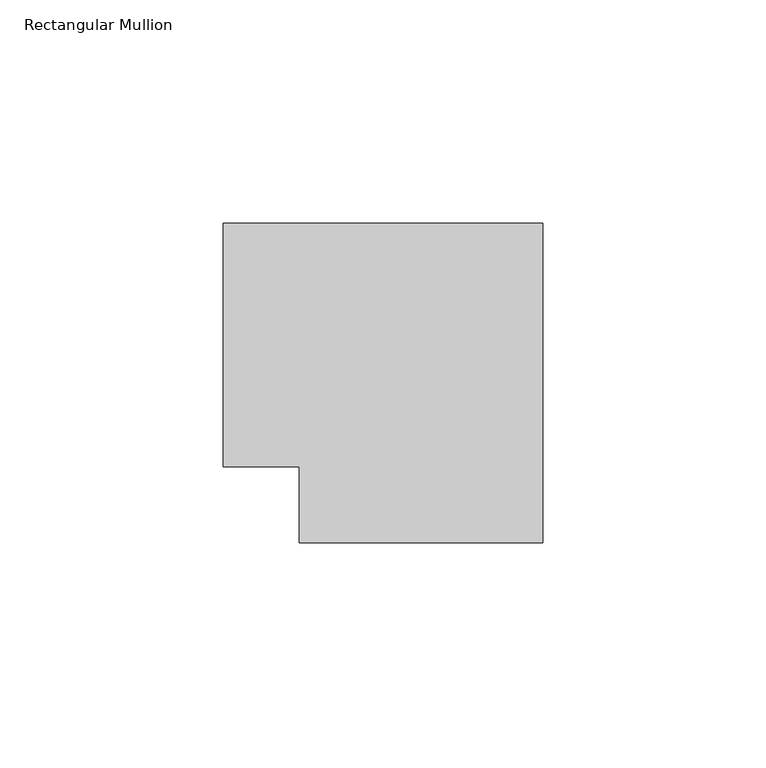
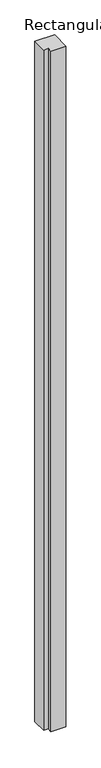
"""IFC4 building model written with IfcOpenShell, lengths in millimetres: member geometry, Rectangular Mullion."""

from ifc_helpers import new_model, si_unit, frame, origin, place, context, project, spatial, polyline, outline, extrude, source, transform, mapped, element, save


def rectangular_mullion_aea2c2dc(model_context):
    return source(origin(), model_context, "Body", "SweptSolid", [
        extrude(outline(polyline([(-56.65, 27.25), (14.85, 27.25), (14.85, -44.25), (-39.65, -44.25), (-39.65, -27.25), (-56.65, -27.25), (-56.65, 27.25)])), frame((0.0, 0.0, -2616.0), z_axis=(0.0, 0.0, 1.0), x_axis=(1.0, 0.0, 0.0)), (0.0, 0.0, 1.0), 2616.0),
    ])


if __name__ == "__main__":
    model = new_model("IFC4")
    model_context = context("Model", 3, world=origin())
    ifc_project = project(units=[si_unit("LENGTHUNIT", "METRE", prefix="MILLI")], contexts=[model_context])
    site = spatial("IfcSite", under=ifc_project)
    building = spatial("IfcBuilding", under=site)
    placement = place(None, origin())
    rectangular_mullion_shape = rectangular_mullion_aea2c2dc(model_context)
    element("IfcMember", 1, ObjectType="Rectangular Mullion", at=placement, inside=building, context=model_context, shape_type="MappedRepresentation", body=[
        mapped(rectangular_mullion_shape, transform((0.0, 0.0, 0.0), x_axis=(1.0, 0.0, 0.0), y_axis=(0.0, 1.0, 0.0), z_axis=(0.0, 0.0, 1.0))),
    ])
    save(model, "model.ifc")
